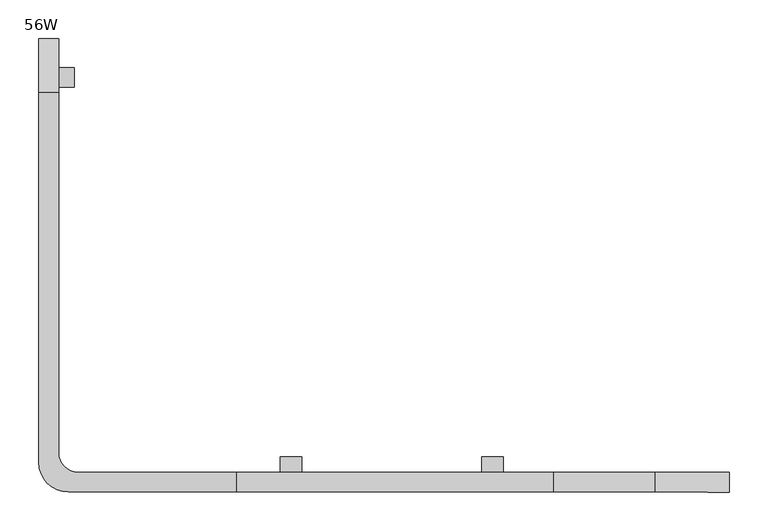
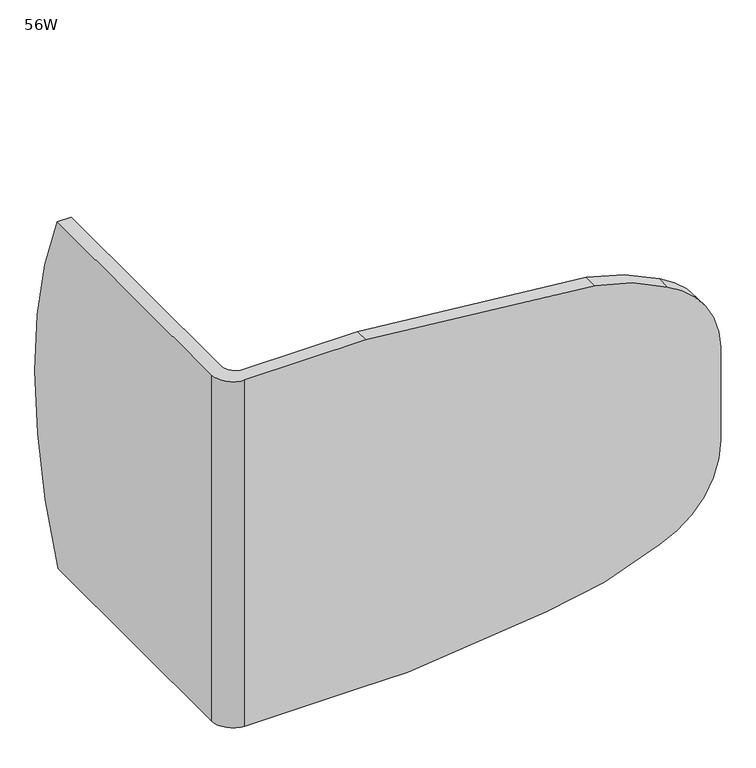
"""IFC4 building model written with IfcOpenShell, lengths in millimetres: furniture geometry, 56W."""

from ifc_helpers import new_model, si_unit, frame, origin, place, context, project, spatial, polyline, circle_curve, outline, extrude, source, transform, mapped, element, save
from ifc_brep_helpers import plane_surface, cylinder_surface, revolved_surface, advanced_brep


def furniture_56w_6bcd0d46(model_context):
    return source(origin(), model_context, "Body", "SolidModel", [
        extrude(outline(polyline([(36.9402955, 502.2794403), (36.9402955, 476.8794403), (17.0012471, 476.8794403), (17.0012471, 502.2794403), (36.9402955, 502.2794403)])), frame((0.0, 0.0, 742.9190305), z_axis=(0.0, 0.0, 1.0), x_axis=(1.0, 0.0, 0.0)), (0.0, 0.0, 1.0), 7.6708133),
        extrude(outline(polyline([(589.5680424, -19.3095839), (562.0090955, -19.3095839), (562.0090955, 0.6294403), (589.5680424, 0.6294403), (589.5680424, -19.3095839)])), frame((0.0, 0.0, 742.9190305), z_axis=(0.0, 0.0, 1.0), x_axis=(1.0, 0.0, 0.0)), (0.0, 0.0, 1.0), 7.6708133),
        extrude(outline(polyline([(330.2850222, -19.3095839), (302.7258955, -19.3095839), (302.7258955, 0.6294403), (330.2850222, 0.6294403), (330.2850222, -19.3095839)])), frame((0.0, 0.0, 742.9190305), z_axis=(0.0, 0.0, 1.0), x_axis=(1.0, 0.0, 0.0)), (0.0, 0.0, 1.0), 7.6708133),
        advanced_brep(
        [(17.0012471, 6.0904161, 1074.4398437), (17.0012471, 470.2316959, 1074.4398437), (-8.3987537, 470.2316959, 1074.4398437), (-8.3987537, -6.6095839, 1074.4398437), (29.7012463, -44.7095839, 1074.4398437), (245.6012471, -44.7095839, 1074.4398437), (245.6012471, -19.3095839, 1074.4398437), (42.4012471, -19.3095839, 1074.4398437), (-8.3987537, -6.6095839, 420.3898438), (-8.3987537, 467.3518496, 420.3898438), (17.0012471, 467.3518496, 420.3898438), (17.0012471, 6.0904161, 420.3898438), (42.4012471, -19.3095839, 420.3898438), (230.9605244, -19.3095839, 420.3898438), (320.4412407, -19.3095839, 420.3898438), (320.4412407, -44.7095839, 420.3898438), (230.9605244, -44.7095839, 420.3898438), (29.7012463, -44.7095839, 420.3898438), (17.0012471, 539.4904161, 750.5898437), (654.7195462, -19.3095839, 1034.0272549), (785.7029293, -19.3095839, 985.2077699), (880.6012471, -19.3095839, 839.2551565), (880.6012471, -19.3095839, 662.671002), (770.9763216, -19.3095839, 504.1316012), (568.7391705, -19.3095839, 447.5282371), (880.6012471, -44.7095839, 839.2551565), (880.6012471, -44.7095839, 662.671002), (568.7391705, -44.7095839, 447.5282371), (770.9763216, -44.7095839, 504.1316012), (785.7029293, -44.7095839, 985.2077699), (654.7195462, -44.7095839, 1034.0272549), (-8.3987537, 539.4904161, 750.5898437)],
        [
            (0, 1),
            (1, 2),
            (2, 3),
            (3, 4, circle_curve(frame((29.7012463, -6.6095839, 1074.4398437), z_axis=(0.0, 0.0, 1.0), x_axis=(1.0, 0.0, 0.0)), 38.1)),
            (4, 5),
            (5, 6),
            (6, 7),
            (7, 0, circle_curve(frame((42.4012471, 6.0904161, 1074.4398437), z_axis=(0.0, 0.0, -1.0), x_axis=(1.0, 0.0, 0.0)), 25.4)),
            (8, 9),
            (9, 10),
            (10, 11),
            (11, 12, circle_curve(frame((42.4012471, 6.0904161, 420.3898438), z_axis=(0.0, 0.0, 1.0), x_axis=(1.0, 0.0, 0.0)), 25.4)),
            (12, 13),
            (13, 14),
            (14, 15),
            (15, 16),
            (16, 17),
            (17, 8, circle_curve(frame((29.7012463, -6.6095839, 420.3898438), z_axis=(0.0, 0.0, -1.0), x_axis=(1.0, 0.0, 0.0)), 38.1)),
            (10, 18, circle_curve(frame((17.0012471, -252.2914169, 750.5898437), z_axis=(1.0, 0.0, 0.0), x_axis=(0.0, -1.0, 0.0)), 791.781833)),
            (18, 1, circle_curve(frame((17.0012471, -252.2914169, 750.5898437), z_axis=(1.0, 0.0, 0.0), x_axis=(0.0, -1.0, 0.0)), 791.781833)),
            (0, 11),
            (6, 19, circle_curve(frame((206.3183707, -19.3095839, -1414.3099835), z_axis=(0.0, 1.0, 0.0), x_axis=(0.0, 0.0, -1.0)), 2489.059832)),
            (19, 20, circle_curve(frame((586.1221308, -19.3095839, 649.8545028), z_axis=(0.0, 1.0, 0.0), x_axis=(0.0, 0.0, -1.0)), 390.2490344)),
            (20, 21, circle_curve(frame((711.1490639, -19.3095839, 832.9051565), z_axis=(0.0, 1.0, 0.0), x_axis=(0.0, 0.0, -1.0)), 169.5711204)),
            (21, 22),
            (22, 23, circle_curve(frame((711.1490639, -19.3095839, 662.671002), z_axis=(0.0, 1.0, 0.0), x_axis=(0.0, 0.0, -1.0)), 169.4521832)),
            (23, 24, circle_curve(frame((495.7118102, -19.3095839, 1098.0328308), z_axis=(0.0, 1.0, 0.0), x_axis=(0.0, 0.0, -1.0)), 654.5908812)),
            (24, 14, circle_curve(frame((275.7008826, -19.3095839, 1979.1820268), z_axis=(0.0, 1.0, 0.0), x_axis=(0.0, 0.0, -1.0)), 1559.4341184)),
            (12, 7),
            (21, 25),
            (25, 26),
            (26, 22),
            (15, 27, circle_curve(frame((275.7008826, -44.7095839, 1979.1820268), z_axis=(0.0, -1.0, 0.0), x_axis=(0.0, 0.0, -1.0)), 1559.4341184)),
            (27, 28, circle_curve(frame((495.7118102, -44.7095839, 1098.0328308), z_axis=(0.0, -1.0, 0.0), x_axis=(0.0, 0.0, -1.0)), 654.5908812)),
            (28, 26, circle_curve(frame((711.1490639, -44.7095839, 662.671002), z_axis=(0.0, -1.0, 0.0), x_axis=(0.0, 0.0, -1.0)), 169.4521832)),
            (25, 29, circle_curve(frame((711.1490639, -44.7095839, 832.9051565), z_axis=(0.0, -1.0, 0.0), x_axis=(0.0, 0.0, -1.0)), 169.5711204)),
            (29, 30, circle_curve(frame((586.1221308, -44.7095839, 649.8545028), z_axis=(0.0, -1.0, 0.0), x_axis=(0.0, 0.0, -1.0)), 390.2490344)),
            (30, 5, circle_curve(frame((206.3183707, -44.7095839, -1414.3099835), z_axis=(0.0, -1.0, 0.0), x_axis=(0.0, 0.0, -1.0)), 2489.059832)),
            (4, 17),
            (2, 31, circle_curve(frame((-8.3987537, -252.2914169, 750.5898437), z_axis=(-1.0, 0.0, 0.0), x_axis=(0.0, -1.0, 0.0)), 791.781833)),
            (31, 9, circle_curve(frame((-8.3987537, -252.2914169, 750.5898437), z_axis=(-1.0, 0.0, 0.0), x_axis=(0.0, -1.0, 0.0)), 791.781833)),
            (8, 3),
            (24, 27),
            (23, 28),
            (20, 29),
            (19, 30),
            (18, 31),
        ],
        [
            plane_surface(frame((17.0012471, 539.4904161, 1074.4398437), z_axis=(0.0, 0.0, 1.0), x_axis=(0.0, -1.0, 0.0))),
            plane_surface(frame((17.0012471, 539.4904161, 420.3898438), z_axis=(0.0, 0.0, -1.0), x_axis=(0.0, 1.0, 0.0))),
            plane_surface(frame((17.0012471, 539.4904161, 1074.4398437), z_axis=(1.0, 0.0, 0.0), x_axis=(0.0, 0.0, -1.0))),
            plane_surface(frame((42.4012471, -19.3095839, 1074.4398437), z_axis=(0.0, 1.0, 0.0), x_axis=(0.0, 0.0, -1.0))),
            plane_surface(frame((880.6012471, -19.3095839, 1074.4398437), z_axis=(1.0, 0.0, 0.0), x_axis=(0.0, 0.0, -1.0))),
            plane_surface(frame((880.6012471, -44.7095839, 1074.4398437), z_axis=(0.0, -1.0, 0.0), x_axis=(0.0, 0.0, -1.0))),
            plane_surface(frame((-8.3987537, -6.6095839, 1074.4398437), z_axis=(-1.0, 0.0, 0.0), x_axis=(0.0, 0.0, -1.0))),
            revolved_surface(polyline([(67.8012471, 6.0904161, 420.3898438), (67.8012471, 6.0904161, 1074.4398437)]), (42.4012471, 6.0904161, 420.3898438), (0.0, 0.0, -1.0)),
            cylinder_surface(frame((29.7012463, -6.6095839, 420.3898438), z_axis=(0.0, 0.0, 1.0), x_axis=(1.0, 0.0, 0.0)), 38.1),
            cylinder_surface(frame((275.7008826, 539.4904161, 1979.1820268), z_axis=(0.0, 1.0, 0.0), x_axis=(0.0, 0.0, -1.0)), 1559.4341184),
            cylinder_surface(frame((495.7118102, 539.4904161, 1098.0328308), z_axis=(0.0, 1.0, 0.0), x_axis=(0.0, 0.0, -1.0)), 654.5908812),
            cylinder_surface(frame((711.1490639, 539.4904161, 662.671002), z_axis=(0.0, 1.0, 0.0), x_axis=(0.0, 0.0, -1.0)), 169.4521832),
            cylinder_surface(frame((711.1490639, 539.4904161, 832.9051565), z_axis=(0.0, 1.0, 0.0), x_axis=(0.0, 0.0, -1.0)), 169.5711204),
            cylinder_surface(frame((586.1221308, 539.4904161, 649.8545028), z_axis=(0.0, 1.0, 0.0), x_axis=(0.0, 0.0, -1.0)), 390.2490344),
            cylinder_surface(frame((206.3183707, 539.4904161, -1414.3099835), z_axis=(0.0, 1.0, 0.0), x_axis=(0.0, 0.0, -1.0)), 2489.059832),
            cylinder_surface(frame((-363.5449056, -252.2914169, 750.5898437), z_axis=(-1.0, 0.0, 0.0), x_axis=(0.0, -1.0, 0.0)), 791.781833),
        ],
        [
            (0, [[1, 2, 3, 4, 5, 6, 7, 8]]),
            (1, [[9, 10, 11, 12, 13, 14, 15, 16, 17, 18]]),
            (2, [[-11, 19, 20, -1, 21]]),
            (3, [[-7, 22, 23, 24, 25, 26, 27, 28, -14, -13, 29]]),
            (4, [[30, 31, 32, -25]]),
            (5, [[-17, -16, 33, 34, 35, -31, 36, 37, 38, -5, 39]]),
            (6, [[-3, 40, 41, -9, 42]]),
            (7, [[-29, -12, -21, -8]]),
            (8, [[-42, -18, -39, -4]]),
            (9, [[-33, -15, -28, 43]]),
            (10, [[-27, 44, -34, -43]]),
            (11, [[-26, -32, -35, -44]]),
            (12, [[-36, -30, -24, 45]]),
            (13, [[-23, 46, -37, -45]]),
            (14, [[-22, -6, -38, -46]]),
            (15, [[-20, 47, -40, -2]]),
            (15, [[-41, -47, -19, -10]]),
        ],
    ),
    ])


if __name__ == "__main__":
    model = new_model("IFC4")
    model_context = context("Model", 3, world=origin())
    ifc_project = project(units=[si_unit("LENGTHUNIT", "METRE", prefix="MILLI")], contexts=[model_context])
    site = spatial("IfcSite", under=ifc_project)
    building = spatial("IfcBuilding", under=site)
    placement = place(None, origin())
    furniture_56w_shape = furniture_56w_6bcd0d46(model_context)
    element("IfcFurniture", 1, ObjectType="56W", at=placement, inside=building, context=model_context, shape_type="MappedRepresentation", body=[
        mapped(furniture_56w_shape, transform((0.0, 0.0, 0.0), x_axis=(1.0, 0.0, 0.0), y_axis=(0.0, 1.0, 0.0), z_axis=(0.0, 0.0, 1.0))),
    ])
    save(model, "model.ifc")
